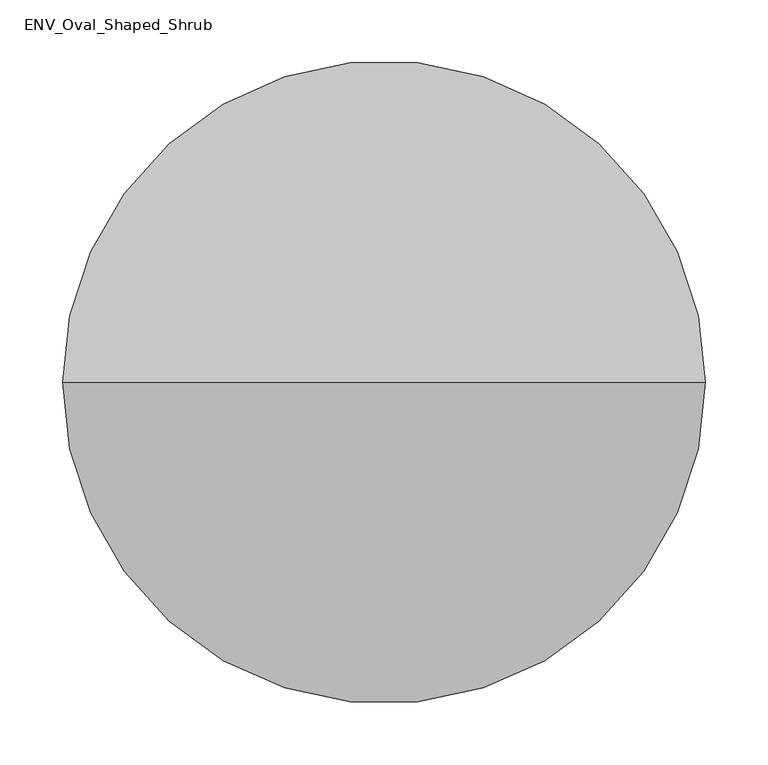
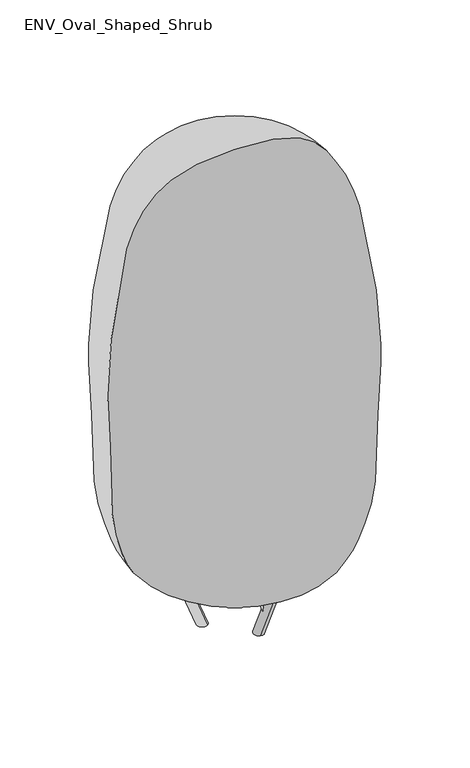
"""IFC4 building model written with IfcOpenShell, lengths in millimetres: geographic element geometry, ENV_Oval_Shaped_Shrub."""

from ifc_helpers import new_model, si_unit, frame, origin, place, context, project, spatial, circle_curve, ellipse_curve, source, transform, mapped, element, save
from ifc_brep_helpers import plane_surface, cylinder_surface, revolved_surface, spline_curve, advanced_brep


def env_oval_shaped_shrub_e2cb009e(model_context):
    return source(origin(), model_context, "Body", "AdvancedBrep", [
        advanced_brep(
        [(31.7624914, 39.0177742, 0.0), (51.9360715, 44.6807887, 0.0), (72.5280097, 58.385874, 91.7280326), (74.3279323, 67.0726495, 87.0040194), (120.8764487, 113.6211659, 152.8335625), (105.037435, 112.2927178, 164.9727911), (56.5859513, 63.8412342, 96.4520458), (58.385874, 72.5280097, 91.7280326)],
        [
            (0, 1, ellipse_curve(frame((41.8492815, 41.8492815, 0.0), z_axis=(0.0, 0.0, -1.0), x_axis=(-0.7071067811865481, -0.7071067811865469, 0.0)), 10.6417777, 10.0)),
            (1, 0, ellipse_curve(frame((41.8492815, 41.8492815, 0.0), z_axis=(0.0, 0.0, -1.0), x_axis=(-0.7071067811865481, -0.7071067811865469, 0.0)), 10.6417777, 10.0)),
            (2, 3, ellipse_curve(frame((65.4569418, 65.4569418, 91.7280326), z_axis=(0.37992819659091615, 0.3799281965909155, 0.8433914458128852), x_axis=(-0.596367810529018, -0.5963678105290176, 0.5372996083468246)), 10.2427951, 10.0)),
            (3, 4),
            (4, 5, circle_curve(frame((112.9569418, 112.9569418, 158.9031768), z_axis=(-0.5000000000000009, -0.5000000000000001, -0.7071067811865468), x_axis=(0.7919506847165753, 0.06642240148530414, -0.6069614300413761)), 10.0)),
            (5, 6),
            (6, 2, ellipse_curve(frame((65.4569418, 65.4569418, 91.7280326), z_axis=(0.37992819659091615, 0.3799281965909155, 0.8433914458128852), x_axis=(-0.596367810529018, -0.5963678105290176, 0.5372996083468246)), 10.2427951, 10.0)),
            (7, 6, ellipse_curve(frame((65.4569418, 65.4569418, 91.7280326), z_axis=(0.37992819659091615, 0.3799281965909155, 0.8433914458128852), x_axis=(-0.596367810529018, -0.5963678105290176, 0.5372996083468246)), 10.2427951, 10.0)),
            (5, 4, circle_curve(frame((112.9569418, 112.9569418, 158.9031768), z_axis=(-0.5000000000000009, -0.5000000000000001, -0.7071067811865468), x_axis=(0.7919506847165753, 0.06642240148530414, -0.6069614300413761)), 10.0)),
            (3, 7, ellipse_curve(frame((65.4569418, 65.4569418, 91.7280326), z_axis=(0.37992819659091615, 0.3799281965909155, 0.8433914458128852), x_axis=(-0.596367810529018, -0.5963678105290176, 0.5372996083468246)), 10.2427951, 10.0)),
            (6, 0),
            (1, 3),
        ],
        [
            plane_surface(frame((116.0, 0.0, 0.0), z_axis=(0.0, 0.0, -1.0), x_axis=(0.0, 1.0, 0.0))),
            cylinder_surface(frame((65.4569418, 65.4569418, 91.7280326), z_axis=(-0.5000000000000009, -0.5000000000000001, -0.7071067811865468), x_axis=(0.7919506847165753, 0.06642240148530414, -0.6069614300413761)), 10.0),
            plane_surface(frame((112.9569418, 112.9569418, 158.9031768), z_axis=(0.5000000000000011, 0.5000000000000001, 0.7071067811865469), x_axis=(0.7071067811865469, -0.7071067811865482, 0.0))),
            cylinder_surface(frame((40.3050865, 40.3050865, -6.0), z_axis=(-0.2418447626479762, -0.24184476264797575, -0.9396926207859081), x_axis=(0.9331213185271781, 0.20759303529590603, -0.29358088596966475)), 10.0),
        ],
        [
            (0, [[1, 2]]),
            (1, [[3, 4, 5, 6, 7]]),
            (1, [[8, -6, 9, -4, 10]]),
            (2, [[-5, -9]]),
            (3, [[-3, -7, 11, -2, 12]]),
            (3, [[-8, -10, -12, -1, -11]]),
        ],
    ),
        advanced_brep(
        [(17.909138, -47.0160116, 0.0), (12.7266623, -67.3183516, 0.0), (14.2996453, -92.0040359, 91.7280326), (20.9226522, -97.9062024, 87.0040194), (37.9605917, -161.4926582, 152.8335625), (44.7296288, -147.111446, 164.9727911), (26.9951549, -80.9254884, 96.4520458), (33.6181618, -86.827655, 91.7280326)],
        [
            (0, 1, ellipse_curve(frame((15.3179001, -57.1671816, 0.0), z_axis=(0.0, 0.0, -1.0), x_axis=(-0.258819045102516, 0.9659258262890695, 0.0)), 10.6417777, 10.0)),
            (1, 0, ellipse_curve(frame((15.3179001, -57.1671816, 0.0), z_axis=(0.0, 0.0, -1.0), x_axis=(-0.258819045102516, 0.9659258262890695, 0.0)), 10.6417777, 10.0)),
            (2, 3, ellipse_curve(frame((23.9589036, -89.4158454, 91.7280326), z_axis=(0.13906337156628096, -0.5189915681572, 0.8433914458128852), x_axis=(-0.21828576865292115, 0.8146535791819443, 0.5372996083468246)), 10.2427951, 10.0)),
            (3, 4),
            (4, 5, circle_curve(frame((41.3451102, -154.3020521, 158.9031768), z_axis=(-0.18301270189221608, 0.683012701892221, -0.7071067811865469), x_axis=(-0.33845185529164806, -0.7190606122516857, -0.606961430041376)), 10.0)),
            (5, 6),
            (6, 2, ellipse_curve(frame((23.9589036, -89.4158454, 91.7280326), z_axis=(0.13906337156628096, -0.5189915681572, 0.8433914458128852), x_axis=(-0.21828576865292115, 0.8146535791819443, 0.5372996083468246)), 10.2427951, 10.0)),
            (7, 6, ellipse_curve(frame((23.9589036, -89.4158454, 91.7280326), z_axis=(0.13906337156628096, -0.5189915681572, 0.8433914458128852), x_axis=(-0.21828576865292115, 0.8146535791819443, 0.5372996083468246)), 10.2427951, 10.0)),
            (5, 4, circle_curve(frame((41.3451102, -154.3020521, 158.9031768), z_axis=(-0.18301270189221608, 0.683012701892221, -0.7071067811865469), x_axis=(-0.33845185529164806, -0.7190606122516857, -0.606961430041376)), 10.0)),
            (3, 7, ellipse_curve(frame((23.9589036, -89.4158454, 91.7280326), z_axis=(0.13906337156628096, -0.5189915681572, 0.8433914458128852), x_axis=(-0.21828576865292115, 0.8146535791819443, 0.5372996083468246)), 10.2427951, 10.0)),
            (6, 0),
            (1, 3),
        ],
        [
            plane_surface(frame((116.0, 0.0, 0.0), z_axis=(0.0, 0.0, -1.0), x_axis=(0.0, 1.0, 0.0))),
            cylinder_surface(frame((23.9589036, -89.4158454, 91.7280326), z_axis=(-0.18301270189221608, 0.683012701892221, -0.7071067811865469), x_axis=(-0.33845185529164806, -0.7190606122516857, -0.606961430041376)), 10.0),
            plane_surface(frame((41.3451102, -154.3020521, 158.9031768), z_axis=(0.183012701892216, -0.6830127018922211, 0.7071067811865468), x_axis=(-0.9659258262890696, -0.25881904510251574, 0.0))),
            cylinder_surface(frame((14.7526856, -55.0577721, -6.0), z_axis=(-0.0885213269013755, 0.33036608954935354, -0.9396926207859081), x_axis=(-0.2867798170486181, -0.9119032843053192, -0.29358088596966464)), 10.0),
        ],
        [
            (0, [[1, 2]]),
            (1, [[3, 4, 5, 6, 7]]),
            (1, [[8, -6, 9, -4, 10]]),
            (2, [[-5, -9]]),
            (3, [[-3, -7, 11, -2, 12]]),
            (3, [[-8, -10, -12, -1, -11]]),
        ],
    ),
        advanced_brep(
        [(-49.6716294, 7.9982373, 0.0), (-64.6627338, 22.637563, 0.0), (-86.827655, 33.6181618, 91.7280326), (-95.2505846, 30.8335529, 87.0040194), (-158.8370404, 47.8714924, 152.8335625), (-149.7670638, 34.8187281, 164.9727911), (-83.5811063, 17.0842543, 96.4520458), (-92.0040359, 14.2996453, 91.7280326)],
        [
            (0, 1, ellipse_curve(frame((-57.1671816, 15.3179001, 0.0), z_axis=(0.0, 0.0, -1.0), x_axis=(0.9659258262890674, -0.25881904510252346, 0.0)), 10.6417777, 10.0)),
            (1, 0, ellipse_curve(frame((-57.1671816, 15.3179001, 0.0), z_axis=(0.0, 0.0, -1.0), x_axis=(0.9659258262890674, -0.25881904510252346, 0.0)), 10.6417777, 10.0)),
            (2, 3, ellipse_curve(frame((-89.4158454, 23.9589036, 91.7280326), z_axis=(-0.5189915681571992, 0.13906337156628504, 0.843391445812885), x_axis=(0.8146535791819424, -0.21828576865292773, 0.5372996083468247)), 10.2427951, 10.0)),
            (3, 4),
            (4, 5, circle_curve(frame((-154.3020521, 41.3451102, 158.9031768), z_axis=(0.6830127018922196, -0.18301270189222146, -0.7071067811865467), x_axis=(-0.45349882942493003, 0.6526382107663843, -0.6069614300413748)), 10.0)),
            (5, 6),
            (6, 2, ellipse_curve(frame((-89.4158454, 23.9589036, 91.7280326), z_axis=(-0.5189915681571992, 0.13906337156628504, 0.843391445812885), x_axis=(0.8146535791819424, -0.21828576865292773, 0.5372996083468247)), 10.2427951, 10.0)),
            (7, 6, ellipse_curve(frame((-89.4158454, 23.9589036, 91.7280326), z_axis=(-0.5189915681571992, 0.13906337156628504, 0.843391445812885), x_axis=(0.8146535791819424, -0.21828576865292773, 0.5372996083468247)), 10.2427951, 10.0)),
            (5, 4, circle_curve(frame((-154.3020521, 41.3451102, 158.9031768), z_axis=(0.6830127018922196, -0.18301270189222146, -0.7071067811865467), x_axis=(-0.45349882942493003, 0.6526382107663843, -0.6069614300413748)), 10.0)),
            (3, 7, ellipse_curve(frame((-89.4158454, 23.9589036, 91.7280326), z_axis=(-0.5189915681571992, 0.13906337156628504, 0.843391445812885), x_axis=(0.8146535791819424, -0.21828576865292773, 0.5372996083468247)), 10.2427951, 10.0)),
            (6, 0),
            (1, 3),
        ],
        [
            plane_surface(frame((116.0, 0.0, 0.0), z_axis=(0.0, 0.0, -1.0), x_axis=(0.0, 1.0, 0.0))),
            cylinder_surface(frame((-89.4158454, 23.9589036, 91.7280326), z_axis=(0.6830127018922196, -0.18301270189222146, -0.7071067811865467), x_axis=(-0.45349882942493003, 0.6526382107663843, -0.6069614300413748)), 10.0),
            plane_surface(frame((-154.3020521, 41.3451102, 158.9031768), z_axis=(-0.6830127018922194, 0.1830127018922217, 0.7071067811865469), x_axis=(0.2588190451025239, 0.9659258262890675, 0.0))),
            cylinder_surface(frame((-55.0577721, 14.7526856, -6.0), z_axis=(0.33036608954935287, -0.08852132690137807, -0.9396926207859081), x_axis=(-0.646341501478562, 0.7043102490094154, -0.2935808859696649)), 10.0),
        ],
        [
            (0, [[1, 2]]),
            (1, [[3, 4, 5, 6, 7]]),
            (1, [[8, -6, 9, -4, 10]]),
            (2, [[-5, -9]]),
            (3, [[-3, -7, 11, -2, 12]]),
            (3, [[-8, -10, -12, -1, -11]]),
        ],
    ),
        advanced_brep(
        [(13.2695426, -72.7539435, 57.0605201), (28.6338459, -83.6316314, 63.8143403), (16.1643373, -37.0947916, 167.133428), (0.8000339, -26.2171036, 160.3796078)],
        [
            (0, 1, circle_curve(frame((20.9516943, -78.1927875, 60.4374302), z_axis=(-0.1093816549466124, 0.4082178936767339, 0.9063077870366507), x_axis=(0.7682151668622742, -0.5438843997990408, 0.3376910082575572)), 10.0)),
            (1, 2),
            (2, 3, circle_curve(frame((8.4821856, -31.6559476, 163.7565179), z_axis=(0.1093816549466124, -0.4082178936767339, -0.9063077870366507), x_axis=(0.7682151668622742, -0.5438843997990408, 0.3376910082575572)), 10.0)),
            (3, 0),
            (1, 0, circle_curve(frame((20.9516943, -78.1927875, 60.4374302), z_axis=(-0.1093816549466124, 0.4082178936767339, 0.9063077870366507), x_axis=(0.7682151668622742, -0.5438843997990408, 0.3376910082575572)), 10.0)),
            (3, 2, circle_curve(frame((8.4821856, -31.6559476, 163.7565179), z_axis=(0.1093816549466124, -0.4082178936767339, -0.9063077870366507), x_axis=(0.7682151668622742, -0.5438843997990408, 0.3376910082575572)), 10.0)),
        ],
        [
            cylinder_surface(frame((20.9516943, -78.1927875, 60.4374302), z_axis=(0.1093816549466124, -0.4082178936767339, -0.9063077870366507), x_axis=(0.7682151668622742, -0.5438843997990408, 0.3376910082575572)), 10.0),
            plane_surface(frame((8.4821856, -31.6559476, 163.7565179), z_axis=(-0.10938165494661252, 0.408217893676734, 0.9063077870366507), x_axis=(-0.9659258262890696, -0.25881904510251574, 0.0))),
            plane_surface(frame((20.9516943, -78.1927875, 60.4374302), z_axis=(0.10938165494661252, -0.408217893676734, -0.9063077870366507), x_axis=(-0.9659258262890696, -0.25881904510251574, 0.0))),
        ],
        [
            (0, [[1, 2, 3, 4]]),
            (0, [[5, -4, 6, -2]]),
            (1, [[-3, -6]]),
            (2, [[-5, -1]]),
        ],
    ),
        advanced_brep(
        [(-69.6415345, 24.8852108, 57.0605201), (-86.7440404, 17.0181777, 63.8143403), (-40.2072005, 4.5486691, 167.133428), (-23.1046947, 12.4157021, 160.3796078)],
        [
            (0, 1, circle_curve(frame((-78.1927875, 20.9516943, 60.4374302), z_axis=(0.408217893676733, -0.10938165494661586, 0.9063077870366508), x_axis=(-0.8551252903791576, -0.3933516501757118, 0.3376910082575574)), 10.0)),
            (1, 2),
            (2, 3, circle_curve(frame((-31.6559476, 8.4821856, 163.7565179), z_axis=(-0.408217893676733, 0.10938165494661586, -0.9063077870366508), x_axis=(-0.8551252903791576, -0.3933516501757118, 0.3376910082575574)), 10.0)),
            (3, 0),
            (1, 0, circle_curve(frame((-78.1927875, 20.9516943, 60.4374302), z_axis=(0.408217893676733, -0.10938165494661586, 0.9063077870366508), x_axis=(-0.8551252903791576, -0.3933516501757118, 0.3376910082575574)), 10.0)),
            (3, 2, circle_curve(frame((-31.6559476, 8.4821856, 163.7565179), z_axis=(-0.408217893676733, 0.10938165494661586, -0.9063077870366508), x_axis=(-0.8551252903791576, -0.3933516501757118, 0.3376910082575574)), 10.0)),
        ],
        [
            cylinder_surface(frame((-78.1927875, 20.9516943, 60.4374302), z_axis=(-0.408217893676733, 0.10938165494661586, -0.9063077870366508), x_axis=(-0.8551252903791576, -0.3933516501757118, 0.3376910082575574)), 10.0),
            plane_surface(frame((-31.6559476, 8.4821856, 163.7565179), z_axis=(0.40821789367673306, -0.10938165494661586, 0.9063077870366509), x_axis=(0.25881904510252374, 0.9659258262890676, 0.0))),
            plane_surface(frame((-78.1927875, 20.9516943, 60.4374302), z_axis=(-0.40821789367673306, 0.10938165494661586, -0.9063077870366509), x_axis=(0.25881904510252374, 0.9659258262890676, 0.0))),
        ],
        [
            (0, [[1, 2, 3, 4]]),
            (0, [[5, -4, 6, -2]]),
            (1, [[-3, -6]]),
            (2, [[-5, -1]]),
        ],
    ),
        advanced_brep(
        [(56.371992, 47.8687327, 57.0605201), (58.1101944, 66.6134537, 63.8143403), (24.0428632, 32.5461225, 167.133428), (22.3046607, 13.8014015, 160.3796078)],
        [
            (0, 1, circle_curve(frame((57.2410932, 57.2410932, 60.4374302), z_axis=(-0.298836238730119, -0.29883623873011844, 0.9063077870366508), x_axis=(0.0869101235168808, 0.9372360499747514, 0.3376910082575579)), 10.0)),
            (1, 2),
            (2, 3, circle_curve(frame((23.173762, 23.173762, 163.7565179), z_axis=(0.298836238730119, 0.29883623873011844, -0.9063077870366508), x_axis=(0.0869101235168808, 0.9372360499747514, 0.3376910082575579)), 10.0)),
            (3, 0),
            (1, 0, circle_curve(frame((57.2410932, 57.2410932, 60.4374302), z_axis=(-0.298836238730119, -0.29883623873011844, 0.9063077870366508), x_axis=(0.0869101235168808, 0.9372360499747514, 0.3376910082575579)), 10.0)),
            (3, 2, circle_curve(frame((23.173762, 23.173762, 163.7565179), z_axis=(0.298836238730119, 0.29883623873011844, -0.9063077870366508), x_axis=(0.0869101235168808, 0.9372360499747514, 0.3376910082575579)), 10.0)),
        ],
        [
            cylinder_surface(frame((57.2410932, 57.2410932, 60.4374302), z_axis=(0.298836238730119, 0.29883623873011844, -0.9063077870366508), x_axis=(0.0869101235168808, 0.9372360499747514, 0.3376910082575579)), 10.0),
            plane_surface(frame((23.173762, 23.173762, 163.7565179), z_axis=(-0.29883623873011905, -0.2988362387301184, 0.9063077870366509), x_axis=(0.7071067811865468, -0.7071067811865483, 0.0))),
            plane_surface(frame((57.2410932, 57.2410932, 60.4374302), z_axis=(0.29883623873011905, 0.2988362387301184, -0.9063077870366509), x_axis=(0.7071067811865468, -0.7071067811865483, 0.0))),
        ],
        [
            (0, [[1, 2, 3, 4]]),
            (0, [[5, -4, 6, -2]]),
            (1, [[-3, -6]]),
            (2, [[-5, -1]]),
        ],
    ),
        advanced_brep(
        [(0.0, 0.0, 1000.0), (0.0, 0.0, 157.4782146)],
        [
            (0, 1, spline_curve(3, [(0.0, 0.0, 1000.0), (61.617486535, 0.0, 1000.0), (98.953604509, 0.0, 993.416635046), (173.870377727, 0.0, 957.827939323), (201.181770089, 0.0, 918.823228892), (236.050605373, 0.0, 807.763470049), (243.31672176, 0.0, 735.238709803), (253.215433477, 0.0, 631.778816787), (256.172946857, 0.0, 597.97428405), (255.653451441, 0.0, 533.50441911), (252.659729277, 0.0, 502.799677534), (250.000000017, 0.0, 409.929207284), (249.999999975, 0.0, 351.655576175), (243.825005939, 0.0, 272.293007731), (237.857328584, 0.0, 250.021332427), (221.975195745, 0.0, 202.951861091), (214.7318395, 0.0, 183.050903436), (193.69561708, 0.0, 155.18634821), (179.357803162, 0.0, 148.500515781), (127.113167329, 0.0, 149.371668927), (88.333440719, 0.0, 157.4782146), (0.0, 0.0, 157.4782146)], [4, 2, 2, 2, 2, 2, 2, 2, 2, 2, 4], [0.0, 0.31117376024490895, 0.7865651780802487, 1.2688301525926455, 1.7124111330651863, 2.1214382872028805, 2.484832558140294, 2.8360263840031585, 3.041261652281083, 3.2655242938715046, 3.49828882606386])),
            (1, 0, spline_curve(3, [(0.0, 0.0, 157.4782146), (-88.333440719, 0.0, 157.4782146), (-127.113167329, 0.0, 149.371668927), (-179.357803162, 0.0, 148.500515781), (-193.69561708, 0.0, 155.18634821), (-214.7318395, 0.0, 183.050903436), (-221.975195745, 0.0, 202.951861091), (-237.857328584, 0.0, 250.021332427), (-243.825005939, 0.0, 272.293007731), (-249.999999975, 0.0, 351.655576175), (-250.000000017, 0.0, 409.929207284), (-252.659729277, 0.0, 502.799677534), (-255.653451441, 0.0, 533.50441911), (-256.172946857, 0.0, 597.97428405), (-253.215433477, 0.0, 631.778816787), (-243.31672176, 0.0, 735.238709803), (-236.050605373, 0.0, 807.763470049), (-201.181770089, 0.0, 918.823228892), (-173.870377727, 0.0, 957.827939323), (-98.953604509, 0.0, 993.416635046), (-61.617486535, 0.0, 1000.0), (0.0, 0.0, 1000.0)], [4, 2, 2, 2, 2, 2, 2, 2, 2, 2, 4], [0.0, 0.2327645321923555, 0.45702717378277713, 0.6622624420607015, 1.0134562679235661, 1.3768505388609795, 1.7858776929986737, 2.2294586734712145, 2.7117236479836113, 3.187115065818951, 3.49828882606386])),
        ],
        [
            revolved_surface(spline_curve(3, [(0.0, 0.0, 157.4782146), (88.333440719, 0.0, 157.4782146), (127.113167329, 0.0, 149.371668927), (179.357803162, 0.0, 148.500515781), (193.69561708, 0.0, 155.18634821), (214.7318395, 0.0, 183.050903436), (221.975195745, 0.0, 202.951861091), (237.857328584, 0.0, 250.021332427), (243.825005939, 0.0, 272.293007731), (249.999999975, 0.0, 351.655576175), (250.000000017, 0.0, 409.929207284), (252.659729277, 0.0, 502.799677534), (255.653451441, 0.0, 533.50441911), (256.172946857, 0.0, 597.97428405), (253.215433477, 0.0, 631.778816787), (243.31672176, 0.0, 735.238709803), (236.050605373, 0.0, 807.763470049), (201.181770089, 0.0, 918.823228892), (173.870377727, 0.0, 957.827939323), (98.953604509, 0.0, 993.416635046), (61.617486535, 0.0, 1000.0), (0.0, 0.0, 1000.0)], [4, 2, 2, 2, 2, 2, 2, 2, 2, 2, 4], [0.0, 0.2327645321923555, 0.45702717378277713, 0.6622624420607015, 1.0134562679235661, 1.3768505388609795, 1.7858776929986737, 2.2294586734712145, 2.7117236479836113, 3.187115065818951, 3.49828882606386]), (0.0, 0.0, 1457.0), (0.0, 0.0, 1.0)),
        ],
        [
            (0, [[1, 2]]),
            (0, [[-2, -1]]),
        ],
    ),
    ])


if __name__ == "__main__":
    model = new_model("IFC4")
    model_context = context("Model", 3, world=origin())
    ifc_project = project(units=[si_unit("LENGTHUNIT", "METRE", prefix="MILLI")], contexts=[model_context])
    site = spatial("IfcSite", under=ifc_project)
    building = spatial("IfcBuilding", under=site)
    placement = place(None, origin())
    env_oval_shaped_shrub_shape = env_oval_shaped_shrub_e2cb009e(model_context)
    element("IfcGeographicElement", 1, ObjectType="ENV_Oval_Shaped_Shrub", at=placement, inside=building, context=model_context, shape_type="MappedRepresentation", body=[
        mapped(env_oval_shaped_shrub_shape, transform((0.0, 0.0, 0.0), x_axis=(1.0, 0.0, 0.0), y_axis=(0.0, 1.0, 0.0), z_axis=(0.0, 0.0, 1.0))),
    ])
    save(model, "model.ifc")
